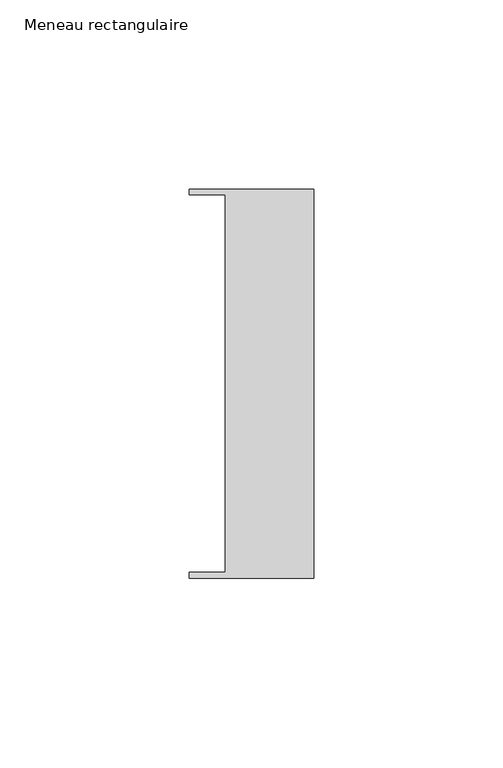
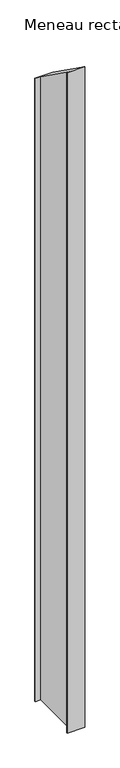
"""IFC4 building model written with IfcOpenShell, lengths in millimetres: member geometry, Meneau rectangulaire."""

from ifc_helpers import new_model, si_unit, origin, place, context, project, spatial, faceted_brep, source, transform, mapped, element, save


def meneau_rectangulaire_3e4fc292(model_context):
    return source(origin(), model_context, "Body", "Brep", [
        faceted_brep([(-33.0, 51.4622428, -1255.0000003), (0.0, 51.4622428, -1255.0000003), (0.0, -51.4712299, -1255.0000003), (-33.0, -51.4712299, -1255.0000003), (-33.0, -49.9505712, -1255.0000003), (-23.4, -49.9505712, -1255.0000003), (-23.4, 49.9614402, -1255.0000003), (-33.0, 49.9614402, -1255.0000003), (-23.4, -49.9505712, 35.6293962), (-23.4, 49.9614402, -35.637149), (0.0, -51.4712299, 36.7140715), (-33.0, -51.4712299, 36.7140715), (0.0, 51.4622428, -36.7076611), (-33.0, 51.4622428, -36.7076611), (-33.0, 49.9614402, -35.637149), (-33.0, -49.9505712, 35.6293962)], [[[0, 1, 2, 3, 4, 5, 6, 7]], [[8, 9, 6, 5]], [[10, 11, 3, 2]], [[12, 10, 2, 1]], [[13, 12, 1, 0]], [[14, 13, 0, 7]], [[9, 14, 7, 6]], [[15, 8, 5, 4]], [[11, 15, 4, 3]], [[13, 14, 9, 8, 15, 11, 10, 12]]]),
    ])


if __name__ == "__main__":
    model = new_model("IFC4")
    model_context = context("Model", 3, world=origin())
    ifc_project = project(units=[si_unit("LENGTHUNIT", "METRE", prefix="MILLI")], contexts=[model_context])
    site = spatial("IfcSite", under=ifc_project)
    building = spatial("IfcBuilding", under=site)
    placement = place(None, origin())
    meneau_rectangulaire_shape = meneau_rectangulaire_3e4fc292(model_context)
    element("IfcMember", 1, ObjectType="Meneau rectangulaire", at=placement, inside=building, context=model_context, shape_type="MappedRepresentation", body=[
        mapped(meneau_rectangulaire_shape, transform((0.0, 0.0, 0.0), x_axis=(1.0, 0.0, 0.0), y_axis=(0.0, 1.0, 0.0), z_axis=(0.0, 0.0, 1.0))),
    ])
    save(model, "model.ifc")
